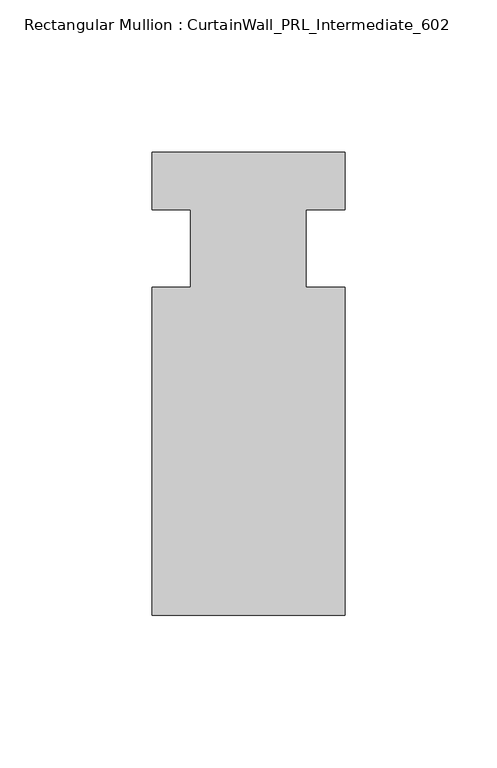
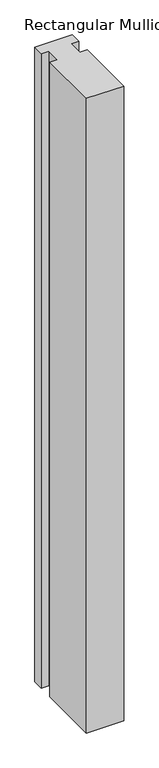
"""IFC4 building model written with IfcOpenShell, lengths in millimetres: member geometry, Rectangular Mullion : CurtainWall_PRL_Intermediate_602."""

from ifc_helpers import new_model, si_unit, frame, origin, place, context, project, spatial, polyline, outline, extrude, source, transform, mapped, element, save


def rectangular_mullion_curtainwall_prl_intermediate_602_b2bcb924(model_context):
    return source(origin(), model_context, "Body", "SweptSolid", [
        extrude(outline(polyline([(-19.05, -12.7), (-19.05, 12.7), (-31.75, 12.7), (-31.75, 31.75), (31.75, 31.75), (31.75, 12.7), (19.05, 12.7), (19.05, -12.7), (31.75, -12.7), (31.75, -120.65), (-31.75, -120.65), (-31.75, -12.7), (-19.05, -12.7)])), frame((0.0, 0.0, -1145.0172405), z_axis=(0.0, 0.0, 1.0), x_axis=(1.0, 0.0, 0.0)), (0.0, 0.0, 1.0), 1145.0172405),
    ])


if __name__ == "__main__":
    model = new_model("IFC4")
    model_context = context("Model", 3, world=origin())
    ifc_project = project(units=[si_unit("LENGTHUNIT", "METRE", prefix="MILLI")], contexts=[model_context])
    site = spatial("IfcSite", under=ifc_project)
    building = spatial("IfcBuilding", under=site)
    placement = place(None, origin())
    rectangular_mullion_curtainwall_prl_intermediate_602_shape = rectangular_mullion_curtainwall_prl_intermediate_602_b2bcb924(model_context)
    element("IfcMember", 1, ObjectType="Rectangular Mullion : CurtainWall_PRL_Intermediate_602", at=placement, inside=building, context=model_context, shape_type="MappedRepresentation", body=[
        mapped(rectangular_mullion_curtainwall_prl_intermediate_602_shape, transform((0.0, 0.0, 0.0), x_axis=(1.0, 0.0, 0.0), y_axis=(0.0, 1.0, 0.0), z_axis=(0.0, 0.0, 1.0))),
    ])
    save(model, "model.ifc")
